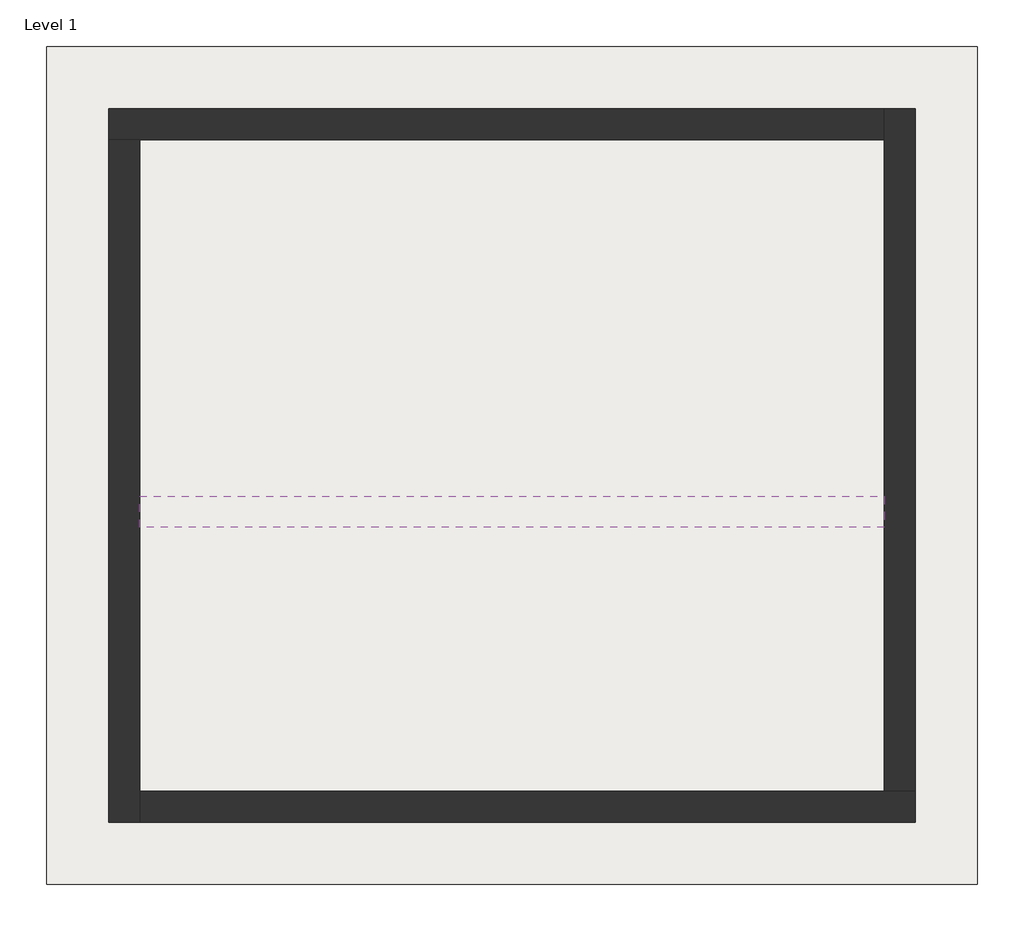
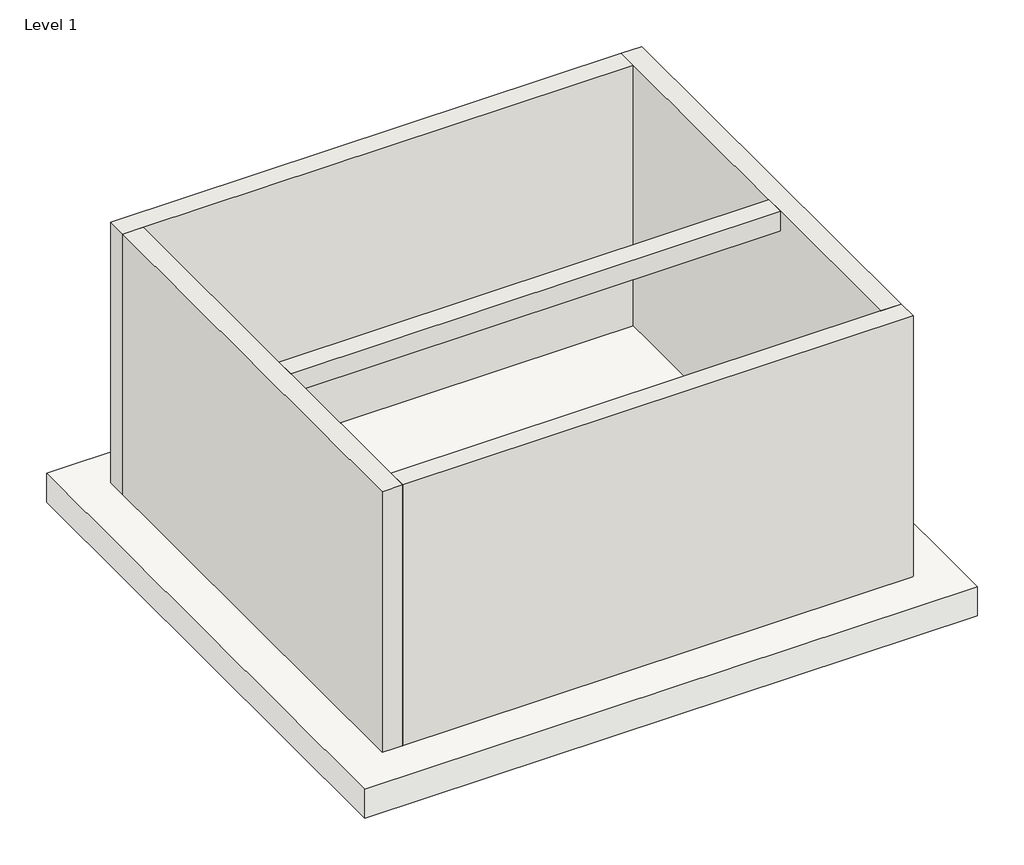
# One storey: 5 walls, 1 slab.
"""IFC4 building model written with IfcOpenShell, lengths in millimetres."""

from ifc_helpers import new_model, si_unit, frame, origin, place, context, project, spatial, polyline, outline, extrude, faceted_brep, element, save

model = new_model("IFC4")

# Units and contexts
model_context = context("Model", 3, world=origin())
ifc_project = project(units=[si_unit("LENGTHUNIT", "METRE", prefix="MILLI")], contexts=[model_context])

# Site, building, storey
site = spatial("IfcSite", under=ifc_project)
building = spatial("IfcBuilding", under=site)
storey = spatial("IfcBuildingStorey", under=building, Name="Level 1", Elevation=0.0)

# Slab
placement = place(None, origin())
element("IfcSlab", 1, ObjectType="Floor 1", at=placement, inside=storey, context=model_context, shape_type="SweptSolid", body=[
    extrude(outline(polyline([(4239.3226601, 7759.5812808), (4239.3226601, 2359.5812808), (-1760.6773399, 2359.5812808), (-1760.6773399, 7759.5812808), (4239.3226601, 7759.5812808)])), frame((0.0, 0.0, -300.0), z_axis=(0.0, 0.0, 1.0), x_axis=(1.0, 0.0, 0.0)), (0.0, 0.0, 1.0), 300.0),
])

# Walls
element("IfcWall", 2, ObjectType="Wall 1", at=placement, inside=storey, context=model_context, shape_type="Brep", body=[
    faceted_brep([(-1360.6773399, 7159.5812808, 0.0), (-1160.6773399, 7159.5812808, 0.0), (3639.3226601, 7159.5812808, 0.0), (3639.3226601, 7159.5812808, 2700.0), (-1160.6773399, 7159.5812808, 2700.0), (-1360.6773399, 7159.5812808, 2700.0), (-1360.6773399, 7359.5812808, 0.0), (-1360.6773399, 7359.5812808, 2700.0), (3639.3226601, 7359.5812808, 2700.0), (3639.3226601, 7359.5812808, 0.0)], [[[0, 1, 2, 3, 4, 5]], [[6, 7, 8, 9]], [[2, 1, 0, 6, 9]], [[0, 5, 7, 6]], [[3, 2, 9, 8]], [[5, 4, 3, 8, 7]]]),
])
element("IfcWall", 3, ObjectType="Wall 1", at=placement, inside=storey, context=model_context, shape_type="Brep", body=[
    faceted_brep([(-1160.6773399, 2759.5812808, 0.0), (-1160.6773399, 2959.5812808, 0.0), (-1160.6773399, 7159.5812808, 0.0), (-1160.6773399, 7159.5812808, 2700.0), (-1160.6773399, 4859.5812808, 2700.0), (-1160.6773399, 4659.5812808, 2700.0), (-1160.6773399, 2959.5812808, 2700.0), (-1160.6773399, 2759.5812808, 2700.0), (-1360.6773399, 2759.5812808, 0.0), (-1360.6773399, 2759.5812808, 2700.0), (-1360.6773399, 7159.5812808, 2700.0), (-1360.6773399, 7159.5812808, 0.0)], [[[0, 1, 2, 3, 4, 5, 6, 7]], [[8, 9, 10, 11]], [[2, 1, 0, 8, 11]], [[0, 7, 9, 8]], [[3, 2, 11, 10]], [[7, 6, 5, 4, 3, 10, 9]]]),
])
element("IfcWall", 4, ObjectType="Wall 1", at=placement, inside=storey, context=model_context, shape_type="Brep", body=[
    faceted_brep([(3839.3226601, 2959.5812808, 0.0), (3639.3226601, 2959.5812808, 0.0), (-1160.6773399, 2959.5812808, 0.0), (-1160.6773399, 2959.5812808, 2700.0), (3639.3226601, 2959.5812808, 2700.0), (3839.3226601, 2959.5812808, 2700.0), (3839.3226601, 2759.5812808, 0.0), (3839.3226601, 2759.5812808, 2700.0), (-1160.6773399, 2759.5812808, 2700.0), (-1160.6773399, 2759.5812808, 0.0)], [[[0, 1, 2, 3, 4, 5]], [[6, 7, 8, 9]], [[2, 1, 0, 6, 9]], [[0, 5, 7, 6]], [[3, 2, 9, 8]], [[5, 4, 3, 8, 7]]]),
])
element("IfcWall", 5, ObjectType="Wall 1", at=placement, inside=storey, context=model_context, shape_type="Brep", body=[
    faceted_brep([(3639.3226601, 7359.5812808, 0.0), (3639.3226601, 7159.5812808, 0.0), (3639.3226601, 2959.5812808, 0.0), (3639.3226601, 2959.5812808, 2700.0), (3639.3226601, 4659.5812808, 2700.0), (3639.3226601, 4859.5812808, 2700.0), (3639.3226601, 7159.5812808, 2700.0), (3639.3226601, 7359.5812808, 2700.0), (3839.3226601, 7359.5812808, 0.0), (3839.3226601, 7359.5812808, 2700.0), (3839.3226601, 2959.5812808, 2700.0), (3839.3226601, 2959.5812808, 0.0)], [[[0, 1, 2, 3, 4, 5, 6, 7]], [[8, 9, 10, 11]], [[2, 1, 0, 8, 11]], [[0, 7, 9, 8]], [[3, 2, 11, 10]], [[7, 6, 5, 4, 3, 10, 9]]]),
])
element("IfcWall", 6, ObjectType="Wall 1", at=placement, inside=storey, context=model_context, shape_type="SweptSolid", body=[
    extrude(outline(polyline([(3639.3226601, 4659.5812808), (-1160.6773399, 4659.5812808), (-1160.6773399, 4859.5812808), (3639.3226601, 4859.5812808), (3639.3226601, 4659.5812808)])), frame((0.0, 0.0, 2500.0), z_axis=(0.0, 0.0, 1.0), x_axis=(1.0, 0.0, 0.0)), (0.0, 0.0, 1.0), 200.0),
])

save(model, "model.ifc")
